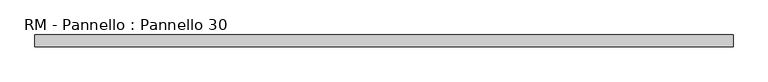
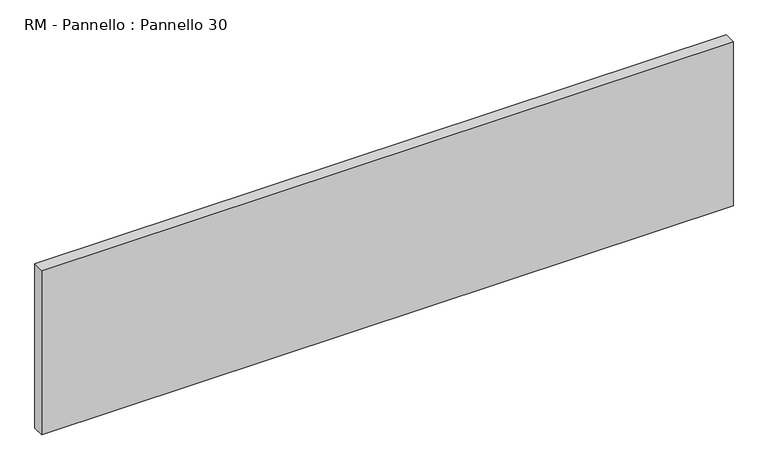
"""IFC4 building model written with IfcOpenShell, lengths in millimetres: plate geometry, RM - Pannello : Pannello 30."""

from ifc_helpers import new_model, si_unit, origin, origin_with_axes, place, context, project, spatial, polyline, outline, extrude, source, transform, mapped, element, save


def rm_pannello_pannello_30_c1c577bf(model_context):
    return source(origin(), model_context, "Body", "SweptSolid", [
        extrude(outline(polyline([(597.0, 200.0), (597.0, 180.0), (-597.0, 180.0), (-597.0, 200.0), (597.0, 200.0)])), origin_with_axes(), (0.0, 0.0, 1.0), 300.0),
    ])


if __name__ == "__main__":
    model = new_model("IFC4")
    model_context = context("Model", 3, world=origin())
    ifc_project = project(units=[si_unit("LENGTHUNIT", "METRE", prefix="MILLI")], contexts=[model_context])
    site = spatial("IfcSite", under=ifc_project)
    building = spatial("IfcBuilding", under=site)
    placement = place(None, origin())
    rm_pannello_pannello_30_shape = rm_pannello_pannello_30_c1c577bf(model_context)
    element("IfcPlate", 1, ObjectType="RM - Pannello : Pannello 30", at=placement, inside=building, context=model_context, shape_type="MappedRepresentation", body=[
        mapped(rm_pannello_pannello_30_shape, transform((0.0, 0.0, 0.0), x_axis=(1.0, 0.0, 0.0), y_axis=(0.0, 1.0, 0.0), z_axis=(0.0, 0.0, 1.0))),
    ])
    save(model, "model.ifc")
